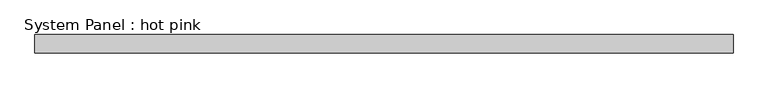
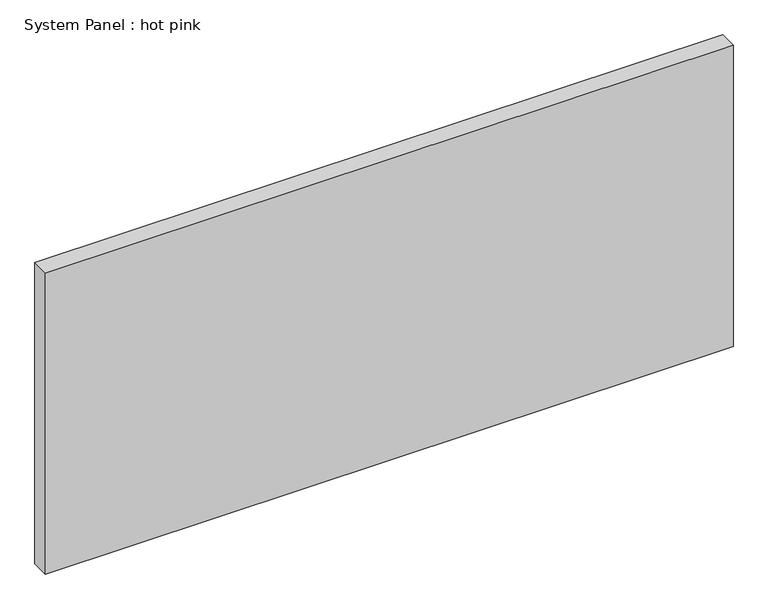
"""IFC4 building model written with IfcOpenShell, lengths in millimetres: plate geometry, System Panel : hot pink."""

import ifcopenshell
import ifcopenshell.guid

model = None  # the IFC model being written
_history = None  # IfcOwnerHistory: only IFC2X3 demands one
_inside = {}  # id of a spatial element -> (the spatial element, [elements in it])
_under = {}  # id of a project, library or spatial element -> (it, [spatial elements below it])
_declared = {}  # id of a project -> (the project, [libraries it declares])
_typed = {}  # id of a type object -> (the type object, [elements of that type])
_made_of = {}  # id of a material, layer set ... -> (it, [elements and type objects made of it])


def new_model(schema):
    """Start an empty IFC model of exactly this schema.

    Asked for "IFC4X3", IfcOpenShell would pick the latest addendum, in which some entities
    have other attributes; the version numbers below select the first issue.
    IFC2X3 requires an IfcOwnerHistory on every rooted entity: one is made here for all.
    """
    global model, _history
    if schema == "IFC4X3":
        model = ifcopenshell.file(schema_version=(4, 3, 0, 0))
    else:
        model = ifcopenshell.file(schema=schema)
    _inside.clear()
    _under.clear()
    _declared.clear()
    _typed.clear()
    _made_of.clear()
    _history = None
    if model.schema == "IFC2X3":
        org = make("IfcOrganization", Name="unknown")
        user = make(
            "IfcPersonAndOrganization",
            ThePerson=make("IfcPerson", FamilyName="unknown"),
            TheOrganization=org,
        )
        app = make(
            "IfcApplication",
            ApplicationDeveloper=org,
            Version="unknown",
            ApplicationFullName="unknown",
            ApplicationIdentifier="unknown",
        )
        _history = make(
            "IfcOwnerHistory",
            OwningUser=user,
            OwningApplication=app,
            ChangeAction="ADDED",
            CreationDate=0,
        )
    return model


def make(cls, **values):
    """One entity of the class cls with the attributes given. An attribute that is None is left unset."""
    return model.create_entity(
        cls, **{name: value for name, value in values.items() if value is not None}
    )


def rooted(cls, **values):
    """An entity with a GlobalId (a new one), such as an element, a storey or a relation."""
    return make(cls, GlobalId=ifcopenshell.guid.new(), OwnerHistory=_history, **values)


def si_unit(unit_type, name, prefix=None):
    """IfcSIUnit, for example si_unit("LENGTHUNIT", "METRE", prefix="MILLI")."""
    return make("IfcSIUnit", UnitType=unit_type, Prefix=prefix, Name=name)


def assignment(units):
    """IfcUnitAssignment: the units of a project."""
    return None if units is None else make("IfcUnitAssignment", Units=units)


def point(xyz):
    """IfcCartesianPoint."""
    return None if xyz is None else make("IfcCartesianPoint", Coordinates=xyz)


def direction(xyz):
    """IfcDirection."""
    return None if xyz is None else make("IfcDirection", DirectionRatios=xyz)


def frame(location, z_axis=None, x_axis=None):
    """IfcAxis2Placement3D, a coordinate frame: its origin and axes. An axis left out is left unset."""
    return make(
        "IfcAxis2Placement3D",
        Location=point(location),
        Axis=direction(z_axis),
        RefDirection=direction(x_axis),
    )


def origin():
    """The frame at (0, 0, 0) with its axes left unset."""
    return frame((0.0, 0.0, 0.0))


def origin_with_axes():
    """The frame at (0, 0, 0) with the z axis (0, 0, 1) and the x axis (1, 0, 0) written out."""
    return frame((0.0, 0.0, 0.0), z_axis=(0.0, 0.0, 1.0), x_axis=(1.0, 0.0, 0.0))


def place(relative_to, where):
    """IfcLocalPlacement: puts the frame where relative to a parent placement (None: the world)."""
    return make(
        "IfcLocalPlacement", PlacementRelTo=relative_to, RelativePlacement=where
    )


def context(
    kind, dimensions, precision=None, world=None, true_north=None, identifier=None
):
    """IfcGeometricRepresentationContext, for example the 3D "Model" context."""
    return make(
        "IfcGeometricRepresentationContext",
        ContextIdentifier=identifier,
        ContextType=kind,
        CoordinateSpaceDimension=dimensions,
        Precision=precision,
        WorldCoordinateSystem=world,
        TrueNorth=true_north,
    )


def project(units=None, contexts=None):
    """IfcProject with its units and contexts."""
    return rooted(
        "IfcProject",
        Name="project",
        RepresentationContexts=contexts,
        UnitsInContext=assignment(units),
    )


def spatial(cls, under=None, at=None, **own):
    """A site, building, storey or space (cls), placed at a placement, below another one or the project."""
    s = rooted(cls, ObjectPlacement=at, **own)
    if under is not None:
        _under.setdefault(under.id(), (under, []))[1].append(s)
    return s


def polyline(points):
    """IfcPolyline through the points."""
    return make("IfcPolyline", Points=[point(p) for p in points])


def outline(outer, holes=None, kind="AREA"):
    """IfcArbitraryClosedProfileDef: a profile drawn as a closed curve; with holes, ...WithVoids."""
    if holes is None:
        return make("IfcArbitraryClosedProfileDef", ProfileType=kind, OuterCurve=outer)
    return make(
        "IfcArbitraryProfileDefWithVoids",
        ProfileType=kind,
        OuterCurve=outer,
        InnerCurves=holes,
    )


def extrude(swept, where, along, depth):
    """IfcExtrudedAreaSolid: the profile swept, set in the frame where, extruded along a direction by depth."""
    return make(
        "IfcExtrudedAreaSolid",
        SweptArea=swept,
        Position=where,
        ExtrudedDirection=direction(along),
        Depth=depth,
    )


def shape(context_of_items, identifier, shape_type, items):
    """IfcShapeRepresentation: the items that make up one representation, for example the "Body"."""
    return make(
        "IfcShapeRepresentation",
        ContextOfItems=context_of_items,
        RepresentationIdentifier=identifier,
        RepresentationType=shape_type,
        Items=items,
    )


def source(mapping_origin, context_of_items, identifier, shape_type, items):
    """IfcRepresentationMap: a shape defined once, which mapped items show again and again."""
    return make(
        "IfcRepresentationMap",
        MappingOrigin=mapping_origin,
        MappedRepresentation=shape(context_of_items, identifier, shape_type, items),
    )


def transform(
    local_origin,
    x_axis=None,
    y_axis=None,
    z_axis=None,
    scale=None,
    scale2=None,
    scale3=None,
    uniform=True,
):
    """IfcCartesianTransformationOperator3D, or its non-uniform kind. x_axis, y_axis, z_axis: its Axis1, 2, 3."""
    if uniform:
        return make(
            "IfcCartesianTransformationOperator3D",
            Axis1=direction(x_axis),
            Axis2=direction(y_axis),
            LocalOrigin=point(local_origin),
            Scale=scale,
            Axis3=direction(z_axis),
        )
    return make(
        "IfcCartesianTransformationOperator3DnonUniform",
        Axis1=direction(x_axis),
        Axis2=direction(y_axis),
        LocalOrigin=point(local_origin),
        Scale=scale,
        Axis3=direction(z_axis),
        Scale2=scale2,
        Scale3=scale3,
    )


def mapped(mapping_source, mapping_target):
    """IfcMappedItem: shows the shape of a source again, moved by a transform."""
    return make(
        "IfcMappedItem", MappingSource=mapping_source, MappingTarget=mapping_target
    )


def made_of(thing, what):
    """Note that an element or type object is made of a material, layer set ...; save() writes the relation."""
    if what is not None:
        _made_of.setdefault(what.id(), (what, []))[1].append(thing)
    return thing


def element(
    cls,
    number,
    at=None,
    inside=None,
    cuts=None,
    type_object=None,
    material=None,
    context=None,
    identifier="Body",
    shape_type=None,
    held_by="IfcProductDefinitionShape",
    body=None,
    shapes=None,
    **own,
):
    """One element of the class cls, such as IfcWall. Its Tag is "e" and its number.

    at: its placement. inside: the storey or other place that contains it. cuts: it is an
    opening in that element (IfcRelVoidsElement). A single representation is given by context,
    identifier, shape_type and body (its items); several are given by shapes. held_by: the class
    of the entity that holds the representations. save() writes the other relations.
    """
    e = rooted(cls, Tag="e%d" % number, ObjectPlacement=at, **own)
    if body is not None:
        shapes = [shape(context, identifier, shape_type, body)]
    if shapes is not None:
        e.Representation = make(held_by, Representations=shapes)
    if inside is not None:
        _inside.setdefault(inside.id(), (inside, []))[1].append(e)
    if cuts is not None:
        rooted(
            "IfcRelVoidsElement", RelatingBuildingElement=cuts, RelatedOpeningElement=e
        )
    if type_object is not None:
        _typed.setdefault(type_object.id(), (type_object, []))[1].append(e)
    return made_of(e, material)


def aggregate(whole, parts):
    """IfcRelAggregates: a whole, such as a stair, and the parts it consists of."""
    return rooted("IfcRelAggregates", RelatingObject=whole, RelatedObjects=parts)


def save(model, path):
    """Write the relations noted so far, then the file.

    IfcRelAggregates (storeys below a building ...), IfcRelContainedInSpatialStructure (elements
    in a storey), IfcRelDefinesByType, IfcRelAssociatesMaterial and IfcRelDeclares: one each for
    every whole, place, type object, material and project.
    """
    for whole, parts in _under.values():
        aggregate(whole, parts)
    for where, things in _inside.values():
        rooted(
            "IfcRelContainedInSpatialStructure",
            RelatedElements=things,
            RelatingStructure=where,
        )
    for kind, things in _typed.values():
        rooted("IfcRelDefinesByType", RelatedObjects=things, RelatingType=kind)
    for what, things in _made_of.values():
        rooted("IfcRelAssociatesMaterial", RelatedObjects=things, RelatingMaterial=what)
    for by, libraries in _declared.values():
        rooted("IfcRelDeclares", RelatingContext=by, RelatedDefinitions=libraries)
    model.write(path)


def system_panel_hot_pink_53d9d620(model_context):
    return source(origin(), model_context, "Body", "SweptSolid", [
        extrude(outline(polyline([(1212.5266214, -19.05), (-1212.5266214, -19.05), (-1212.5266214, 44.45), (1212.5266214, 44.45), (1212.5266214, -19.05)])), origin_with_axes(), (0.0, 0.0, 1.0), 1123.95),
    ])


if __name__ == "__main__":
    model = new_model("IFC4")
    model_context = context("Model", 3, world=origin())
    ifc_project = project(units=[si_unit("LENGTHUNIT", "METRE", prefix="MILLI")], contexts=[model_context])
    site = spatial("IfcSite", under=ifc_project)
    building = spatial("IfcBuilding", under=site)
    placement = place(None, origin())
    system_panel_hot_pink_shape = system_panel_hot_pink_53d9d620(model_context)
    element("IfcPlate", 1, ObjectType="System Panel : hot pink", at=placement, inside=building, context=model_context, shape_type="MappedRepresentation", body=[
        mapped(system_panel_hot_pink_shape, transform((0.0, 0.0, 0.0), x_axis=(1.0, 0.0, 0.0), y_axis=(0.0, 1.0, 0.0), z_axis=(0.0, 0.0, 1.0))),
    ])
    save(model, "model.ifc")
